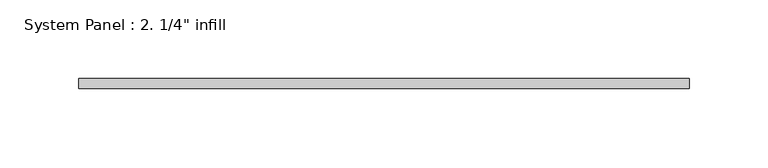
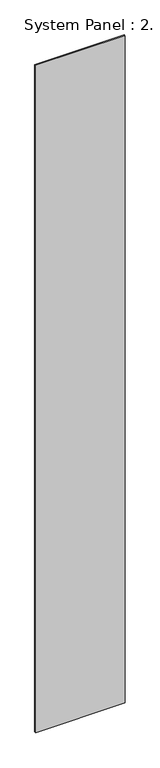
"""IFC4 building model written with IfcOpenShell, lengths in millimetres: plate geometry."""

from ifc_helpers import new_model, si_unit, origin, origin_with_axes, place, context, project, spatial, polyline, outline, extrude, source, transform, mapped, element, save


def plate_938b7834(model_context):
    return source(origin(), model_context, "Body", "SweptSolid", [
        extrude(outline(polyline([(193.6969188, -6.35), (-193.6969188, -6.35), (-193.6969188, 0.0), (193.6969188, 0.0), (193.6969188, -6.35)])), origin_with_axes(), (0.0, 0.0, 1.0), 3048.0),
    ])


if __name__ == "__main__":
    model = new_model("IFC4")
    model_context = context("Model", 3, world=origin())
    ifc_project = project(units=[si_unit("LENGTHUNIT", "METRE", prefix="MILLI")], contexts=[model_context])
    site = spatial("IfcSite", under=ifc_project)
    building = spatial("IfcBuilding", under=site)
    placement = place(None, origin())
    plate_shape = plate_938b7834(model_context)
    element("IfcPlate", 1, ObjectType="System Panel : 2. 1/4\" infill", at=placement, inside=building, context=model_context, shape_type="MappedRepresentation", body=[
        mapped(plate_shape, transform((0.0, 0.0, 0.0), x_axis=(1.0, 0.0, 0.0), y_axis=(0.0, 1.0, 0.0), z_axis=(0.0, 0.0, 1.0))),
    ])
    save(model, "model.ifc")
